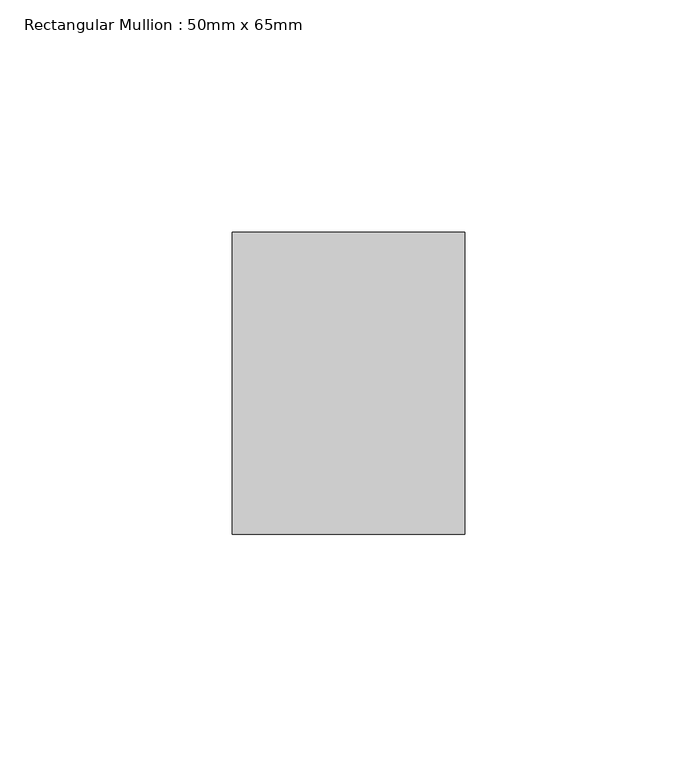
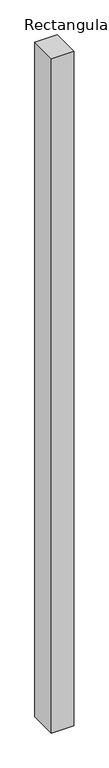
"""IFC4 building model written with IfcOpenShell, lengths in millimetres: member geometry, Rectangular Mullion : 50mm x 65mm."""

from ifc_helpers import new_model, si_unit, frame, origin, place, context, project, spatial, polyline, outline, extrude, source, transform, mapped, element, save


def rectangular_mullion_50mm_x_65mm_57155b7b(model_context):
    return source(origin(), model_context, "Body", "SweptSolid", [
        extrude(outline(polyline([(25.0, 32.5), (25.0, -32.5), (-25.0, -32.5), (-25.0, 32.5), (25.0, 32.5)])), frame((0.0, 0.0, -1612.9645003), z_axis=(0.0, 0.0, 1.0), x_axis=(1.0, 0.0, 0.0)), (0.0, 0.0, 1.0), 1612.9645003),
    ])


if __name__ == "__main__":
    model = new_model("IFC4")
    model_context = context("Model", 3, world=origin())
    ifc_project = project(units=[si_unit("LENGTHUNIT", "METRE", prefix="MILLI")], contexts=[model_context])
    site = spatial("IfcSite", under=ifc_project)
    building = spatial("IfcBuilding", under=site)
    placement = place(None, origin())
    rectangular_mullion_50mm_x_65mm_shape = rectangular_mullion_50mm_x_65mm_57155b7b(model_context)
    element("IfcMember", 1, ObjectType="Rectangular Mullion : 50mm x 65mm", at=placement, inside=building, context=model_context, shape_type="MappedRepresentation", body=[
        mapped(rectangular_mullion_50mm_x_65mm_shape, transform((0.0, 0.0, 0.0), x_axis=(1.0, 0.0, 0.0), y_axis=(0.0, 1.0, 0.0), z_axis=(0.0, 0.0, 1.0))),
    ])
    save(model, "model.ifc")
